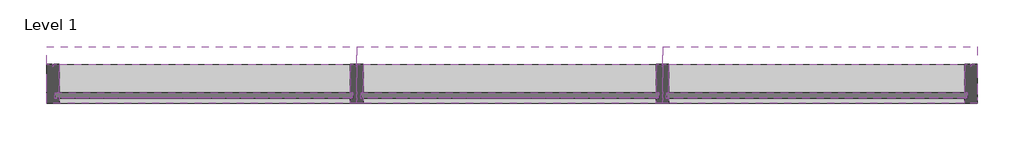
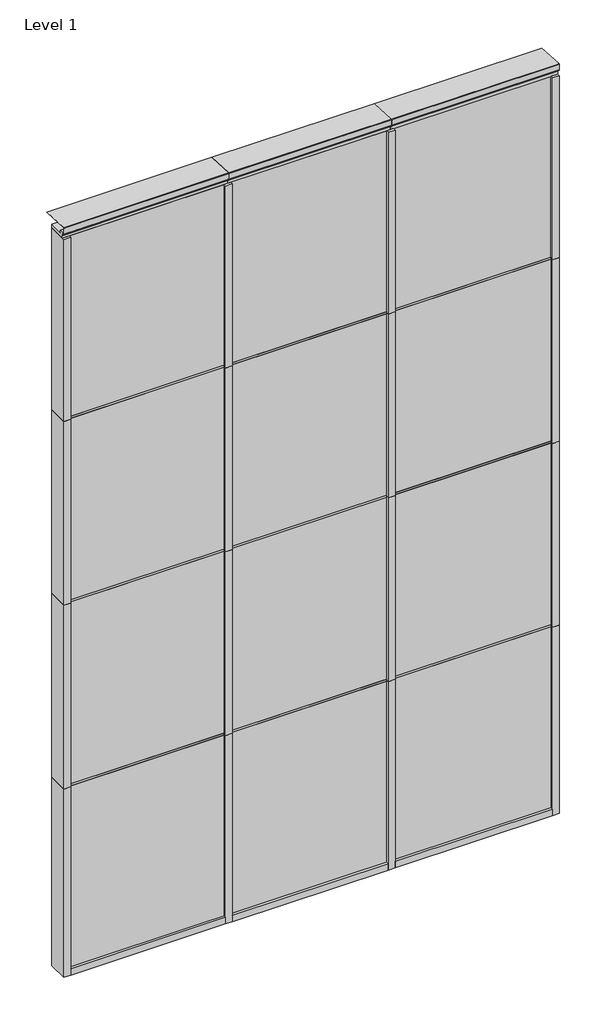
# One storey: 31 members, 12 plates.
"""IFC4 building model written with IfcOpenShell, lengths in millimetres."""

import ifcopenshell
import ifcopenshell.guid

model = None  # the IFC model being written
_history = None  # IfcOwnerHistory: only IFC2X3 demands one
_inside = {}  # id of a spatial element -> (the spatial element, [elements in it])
_under = {}  # id of a project, library or spatial element -> (it, [spatial elements below it])
_declared = {}  # id of a project -> (the project, [libraries it declares])
_typed = {}  # id of a type object -> (the type object, [elements of that type])
_made_of = {}  # id of a material, layer set ... -> (it, [elements and type objects made of it])


def new_model(schema):
    """Start an empty IFC model of exactly this schema.

    Asked for "IFC4X3", IfcOpenShell would pick the latest addendum, in which some entities
    have other attributes; the version numbers below select the first issue.
    IFC2X3 requires an IfcOwnerHistory on every rooted entity: one is made here for all.
    """
    global model, _history
    if schema == "IFC4X3":
        model = ifcopenshell.file(schema_version=(4, 3, 0, 0))
    else:
        model = ifcopenshell.file(schema=schema)
    _inside.clear()
    _under.clear()
    _declared.clear()
    _typed.clear()
    _made_of.clear()
    _history = None
    if model.schema == "IFC2X3":
        org = make("IfcOrganization", Name="unknown")
        user = make(
            "IfcPersonAndOrganization",
            ThePerson=make("IfcPerson", FamilyName="unknown"),
            TheOrganization=org,
        )
        app = make(
            "IfcApplication",
            ApplicationDeveloper=org,
            Version="unknown",
            ApplicationFullName="unknown",
            ApplicationIdentifier="unknown",
        )
        _history = make(
            "IfcOwnerHistory",
            OwningUser=user,
            OwningApplication=app,
            ChangeAction="ADDED",
            CreationDate=0,
        )
    return model


def make(cls, **values):
    """One entity of the class cls with the attributes given. An attribute that is None is left unset."""
    return model.create_entity(
        cls, **{name: value for name, value in values.items() if value is not None}
    )


def rooted(cls, **values):
    """An entity with a GlobalId (a new one), such as an element, a storey or a relation."""
    return make(cls, GlobalId=ifcopenshell.guid.new(), OwnerHistory=_history, **values)


def si_unit(unit_type, name, prefix=None):
    """IfcSIUnit, for example si_unit("LENGTHUNIT", "METRE", prefix="MILLI")."""
    return make("IfcSIUnit", UnitType=unit_type, Prefix=prefix, Name=name)


def assignment(units):
    """IfcUnitAssignment: the units of a project."""
    return None if units is None else make("IfcUnitAssignment", Units=units)


def point(xyz):
    """IfcCartesianPoint."""
    return None if xyz is None else make("IfcCartesianPoint", Coordinates=xyz)


def direction(xyz):
    """IfcDirection."""
    return None if xyz is None else make("IfcDirection", DirectionRatios=xyz)


def frame(location, z_axis=None, x_axis=None):
    """IfcAxis2Placement3D, a coordinate frame: its origin and axes. An axis left out is left unset."""
    return make(
        "IfcAxis2Placement3D",
        Location=point(location),
        Axis=direction(z_axis),
        RefDirection=direction(x_axis),
    )


def frame_2d(location, x_axis=None):
    """IfcAxis2Placement2D, a coordinate frame in the plane: its origin and x axis."""
    return make(
        "IfcAxis2Placement2D", Location=point(location), RefDirection=direction(x_axis)
    )


def origin():
    """The frame at (0, 0, 0) with its axes left unset."""
    return frame((0.0, 0.0, 0.0))


def origin_with_axes():
    """The frame at (0, 0, 0) with the z axis (0, 0, 1) and the x axis (1, 0, 0) written out."""
    return frame((0.0, 0.0, 0.0), z_axis=(0.0, 0.0, 1.0), x_axis=(1.0, 0.0, 0.0))


def place(relative_to, where):
    """IfcLocalPlacement: puts the frame where relative to a parent placement (None: the world)."""
    return make(
        "IfcLocalPlacement", PlacementRelTo=relative_to, RelativePlacement=where
    )


def context(
    kind, dimensions, precision=None, world=None, true_north=None, identifier=None
):
    """IfcGeometricRepresentationContext, for example the 3D "Model" context."""
    return make(
        "IfcGeometricRepresentationContext",
        ContextIdentifier=identifier,
        ContextType=kind,
        CoordinateSpaceDimension=dimensions,
        Precision=precision,
        WorldCoordinateSystem=world,
        TrueNorth=true_north,
    )


def project(units=None, contexts=None):
    """IfcProject with its units and contexts."""
    return rooted(
        "IfcProject",
        Name="project",
        RepresentationContexts=contexts,
        UnitsInContext=assignment(units),
    )


def spatial(cls, under=None, at=None, **own):
    """A site, building, storey or space (cls), placed at a placement, below another one or the project."""
    s = rooted(cls, ObjectPlacement=at, **own)
    if under is not None:
        _under.setdefault(under.id(), (under, []))[1].append(s)
    return s


def polyline(points):
    """IfcPolyline through the points."""
    return make("IfcPolyline", Points=[point(p) for p in points])


def circle_curve(where, radius):
    """IfcCircle in the frame where."""
    return make("IfcCircle", Position=where, Radius=radius)


def trimmed(basis, trim1, trim2, sense, master):
    """IfcTrimmedCurve: the piece of a basis curve between two trims."""
    return make(
        "IfcTrimmedCurve",
        BasisCurve=basis,
        Trim1=trim1,
        Trim2=trim2,
        SenseAgreement=sense,
        MasterRepresentation=master,
    )


def segment(curve, same_sense, transition):
    """IfcCompositeCurveSegment."""
    return make(
        "IfcCompositeCurveSegment",
        Transition=transition,
        SameSense=same_sense,
        ParentCurve=curve,
    )


def composite_curve(segments, self_intersect=None):
    """IfcCompositeCurve: segments joined end to end."""
    return make("IfcCompositeCurve", Segments=segments, SelfIntersect=self_intersect)


def outline(outer, holes=None, kind="AREA"):
    """IfcArbitraryClosedProfileDef: a profile drawn as a closed curve; with holes, ...WithVoids."""
    if holes is None:
        return make("IfcArbitraryClosedProfileDef", ProfileType=kind, OuterCurve=outer)
    return make(
        "IfcArbitraryProfileDefWithVoids",
        ProfileType=kind,
        OuterCurve=outer,
        InnerCurves=holes,
    )


def extrude(swept, where, along, depth):
    """IfcExtrudedAreaSolid: the profile swept, set in the frame where, extruded along a direction by depth."""
    return make(
        "IfcExtrudedAreaSolid",
        SweptArea=swept,
        Position=where,
        ExtrudedDirection=direction(along),
        Depth=depth,
    )


def shape(context_of_items, identifier, shape_type, items):
    """IfcShapeRepresentation: the items that make up one representation, for example the "Body"."""
    return make(
        "IfcShapeRepresentation",
        ContextOfItems=context_of_items,
        RepresentationIdentifier=identifier,
        RepresentationType=shape_type,
        Items=items,
    )


def source(mapping_origin, context_of_items, identifier, shape_type, items):
    """IfcRepresentationMap: a shape defined once, which mapped items show again and again."""
    return make(
        "IfcRepresentationMap",
        MappingOrigin=mapping_origin,
        MappedRepresentation=shape(context_of_items, identifier, shape_type, items),
    )


def transform(
    local_origin,
    x_axis=None,
    y_axis=None,
    z_axis=None,
    scale=None,
    scale2=None,
    scale3=None,
    uniform=True,
):
    """IfcCartesianTransformationOperator3D, or its non-uniform kind. x_axis, y_axis, z_axis: its Axis1, 2, 3."""
    if uniform:
        return make(
            "IfcCartesianTransformationOperator3D",
            Axis1=direction(x_axis),
            Axis2=direction(y_axis),
            LocalOrigin=point(local_origin),
            Scale=scale,
            Axis3=direction(z_axis),
        )
    return make(
        "IfcCartesianTransformationOperator3DnonUniform",
        Axis1=direction(x_axis),
        Axis2=direction(y_axis),
        LocalOrigin=point(local_origin),
        Scale=scale,
        Axis3=direction(z_axis),
        Scale2=scale2,
        Scale3=scale3,
    )


def mapped(mapping_source, mapping_target):
    """IfcMappedItem: shows the shape of a source again, moved by a transform."""
    return make(
        "IfcMappedItem", MappingSource=mapping_source, MappingTarget=mapping_target
    )


def made_of(thing, what):
    """Note that an element or type object is made of a material, layer set ...; save() writes the relation."""
    if what is not None:
        _made_of.setdefault(what.id(), (what, []))[1].append(thing)
    return thing


def element(
    cls,
    number,
    at=None,
    inside=None,
    cuts=None,
    type_object=None,
    material=None,
    context=None,
    identifier="Body",
    shape_type=None,
    held_by="IfcProductDefinitionShape",
    body=None,
    shapes=None,
    **own,
):
    """One element of the class cls, such as IfcWall. Its Tag is "e" and its number.

    at: its placement. inside: the storey or other place that contains it. cuts: it is an
    opening in that element (IfcRelVoidsElement). A single representation is given by context,
    identifier, shape_type and body (its items); several are given by shapes. held_by: the class
    of the entity that holds the representations. save() writes the other relations.
    """
    e = rooted(cls, Tag="e%d" % number, ObjectPlacement=at, **own)
    if body is not None:
        shapes = [shape(context, identifier, shape_type, body)]
    if shapes is not None:
        e.Representation = make(held_by, Representations=shapes)
    if inside is not None:
        _inside.setdefault(inside.id(), (inside, []))[1].append(e)
    if cuts is not None:
        rooted(
            "IfcRelVoidsElement", RelatingBuildingElement=cuts, RelatedOpeningElement=e
        )
    if type_object is not None:
        _typed.setdefault(type_object.id(), (type_object, []))[1].append(e)
    return made_of(e, material)


def aggregate(whole, parts):
    """IfcRelAggregates: a whole, such as a stair, and the parts it consists of."""
    return rooted("IfcRelAggregates", RelatingObject=whole, RelatedObjects=parts)


def save(model, path):
    """Write the relations noted so far, then the file.

    IfcRelAggregates (storeys below a building ...), IfcRelContainedInSpatialStructure (elements
    in a storey), IfcRelDefinesByType, IfcRelAssociatesMaterial and IfcRelDeclares: one each for
    every whole, place, type object, material and project.
    """
    for whole, parts in _under.values():
        aggregate(whole, parts)
    for where, things in _inside.values():
        rooted(
            "IfcRelContainedInSpatialStructure",
            RelatedElements=things,
            RelatingStructure=where,
        )
    for kind, things in _typed.values():
        rooted("IfcRelDefinesByType", RelatedObjects=things, RelatingType=kind)
    for what, things in _made_of.values():
        rooted("IfcRelAssociatesMaterial", RelatedObjects=things, RelatingMaterial=what)
    for by, libraries in _declared.values():
        rooted("IfcRelDeclares", RelatingContext=by, RelatedDefinitions=libraries)
    model.write(path)


def rectangular_mullion_kawneer_2500_pg_horizontal_ssg_mullion_443c98aa(model_context):
    return source(origin(), model_context, "Body", "SweptSolid", [
        extrude(outline(composite_curve([segment(polyline([(-80.9625, 95.25), (-80.9625, -38.8620344), (-60.3250001, -38.8620344), (-60.3250001, -92.0750171), (-3.175, -92.0750171), (-17.5525632, 182.2652306), (-14.373206, 182.2652306), (-0.0043512, -91.9088505)]), True, "CONTINUOUS"), segment(trimmed(circle_curve(frame_2d((-3.175, -92.0750171)), 3.175), [point((-0.0043512, -91.9088505))], [point((-3.175, -95.2500171))], False, "CARTESIAN"), True, "CONTINUOUS"), segment(polyline([(-3.175, -95.2500171), (-60.3250001, -95.2500171)]), True, "CONTINUOUS"), segment(trimmed(circle_curve(frame_2d((-60.3250001, -92.0750171)), 3.175), [point((-60.3250001, -95.2500171))], [point((-63.5000001, -92.0750171))], False, "CARTESIAN"), True, "CONTINUOUS"), segment(polyline([(-63.5000001, -92.0750171), (-63.5000001, -68.5064162)]), True, "CONTINUOUS"), segment(trimmed(circle_curve(frame_2d((-70.7092948, -88.9585063)), 21.6855233), [point((-63.5000001, -68.5064162))], [point((-80.9624832, -69.8500252))], True, "CARTESIAN"), True, "CONTINUOUS"), segment(trimmed(circle_curve(frame_2d((-85.725, -79.7243466)), 10.9628366), [point((-80.9624832, -69.8500252))], [point((-90.4875, -69.8500171))], True, "CARTESIAN"), True, "CONTINUOUS"), segment(polyline([(-90.4875, -69.8500171), (-115.9625, -69.8500171), (-115.9625, 95.25), (-80.9625, 95.25)]), True, "CONTINUOUS")], self_intersect=False)), frame((0.0, 0.0, -1522.9398248), z_axis=(0.0, 0.0, 1.0), x_axis=(1.0, 0.0, 0.0)), (0.0, 0.0, 1.0), 1522.9398248),
    ])


def rectangular_mullion_kawneer_2500_pg_horizontal_ssg_mullion_76cb95bd(model_context):
    return source(origin(), model_context, "Body", "SweptSolid", [
        extrude(outline(composite_curve([segment(polyline([(-80.9625, 95.25), (-80.9625, -38.8620344), (-60.3250001, -38.8620344), (-60.3250001, -92.0750171), (-3.175, -92.0750171), (-17.5525632, 182.2652306), (-14.373206, 182.2652306), (-0.0043512, -91.9088505)]), True, "CONTINUOUS"), segment(trimmed(circle_curve(frame_2d((-3.175, -92.0750171)), 3.175), [point((-0.0043512, -91.9088505))], [point((-3.175, -95.2500171))], False, "CARTESIAN"), True, "CONTINUOUS"), segment(polyline([(-3.175, -95.2500171), (-60.3250001, -95.2500171)]), True, "CONTINUOUS"), segment(trimmed(circle_curve(frame_2d((-60.3250001, -92.0750171)), 3.175), [point((-60.3250001, -95.2500171))], [point((-63.5000001, -92.0750171))], False, "CARTESIAN"), True, "CONTINUOUS"), segment(polyline([(-63.5000001, -92.0750171), (-63.5000001, -68.5064162)]), True, "CONTINUOUS"), segment(trimmed(circle_curve(frame_2d((-70.7092948, -88.9585063)), 21.6855233), [point((-63.5000001, -68.5064162))], [point((-80.9624832, -69.8500252))], True, "CARTESIAN"), True, "CONTINUOUS"), segment(trimmed(circle_curve(frame_2d((-85.725, -79.7243466)), 10.9628366), [point((-80.9624832, -69.8500252))], [point((-90.4875, -69.8500171))], True, "CARTESIAN"), True, "CONTINUOUS"), segment(polyline([(-90.4875, -69.8500171), (-115.9625, -69.8500171), (-115.9625, 95.25), (-80.9625, 95.25)]), True, "CONTINUOUS")], self_intersect=False)), frame((0.0, 0.0, -1502.3050876), z_axis=(0.0, 0.0, 1.0), x_axis=(1.0, 0.0, 0.0)), (0.0, 0.0, 1.0), 1502.3050876),
    ])


def rectangular_mullion_kawneer_2500_pg_horizontal_ssg_mullion_5e039348(model_context):
    return source(origin(), model_context, "Body", "SweptSolid", [
        extrude(outline(composite_curve([segment(polyline([(-80.9625, 95.25), (-80.9625, -38.8620344), (-60.3250001, -38.8620344), (-60.3250001, -92.0750171), (-3.175, -92.0750171), (-17.5525632, 182.2652306), (-14.373206, 182.2652306), (-0.0043512, -91.9088505)]), True, "CONTINUOUS"), segment(trimmed(circle_curve(frame_2d((-3.175, -92.0750171)), 3.175), [point((-0.0043512, -91.9088505))], [point((-3.175, -95.2500171))], False, "CARTESIAN"), True, "CONTINUOUS"), segment(polyline([(-3.175, -95.2500171), (-60.3250001, -95.2500171)]), True, "CONTINUOUS"), segment(trimmed(circle_curve(frame_2d((-60.3250001, -92.0750171)), 3.175), [point((-60.3250001, -95.2500171))], [point((-63.5000001, -92.0750171))], False, "CARTESIAN"), True, "CONTINUOUS"), segment(polyline([(-63.5000001, -92.0750171), (-63.5000001, -68.5064162)]), True, "CONTINUOUS"), segment(trimmed(circle_curve(frame_2d((-70.7092948, -88.9585063)), 21.6855233), [point((-63.5000001, -68.5064162))], [point((-80.9624832, -69.8500252))], True, "CARTESIAN"), True, "CONTINUOUS"), segment(trimmed(circle_curve(frame_2d((-85.725, -79.7243466)), 10.9628366), [point((-80.9624832, -69.8500252))], [point((-90.4875, -69.8500171))], True, "CARTESIAN"), True, "CONTINUOUS"), segment(polyline([(-90.4875, -69.8500171), (-115.9625, -69.8500171), (-115.9625, 95.25), (-80.9625, 95.25)]), True, "CONTINUOUS")], self_intersect=False)), frame((0.0, 0.0, -1546.7550876), z_axis=(0.0, 0.0, 1.0), x_axis=(1.0, 0.0, 0.0)), (0.0, 0.0, 1.0), 1546.7550876),
    ])


def rectangular_mullion_kawneer_2500_pg_horizontal_ssg_mullion_bfa5a728(model_context):
    return source(origin(), model_context, "Body", "SweptSolid", [
        extrude(outline(polyline([(-9.525, -69.85), (-9.525, -44.45), (-31.75, -44.45), (-31.75, 95.25), (31.75, 95.25), (31.75, -44.45), (9.525, -44.45), (9.525, -69.85), (-9.525, -69.85)])), frame((0.0, 0.0, -1438.8050876), z_axis=(0.0, 0.0, 1.0), x_axis=(1.0, 0.0, 0.0)), (0.0, 0.0, 1.0), 1438.8050876),
    ])


def rectangular_mullion_kawneer_2500_pg_horizontal_ssg_mullion_2232923a(model_context):
    return source(origin(), model_context, "Body", "SweptSolid", [
        extrude(outline(polyline([(-9.525, -69.85), (-9.525, -44.45), (-31.75, -44.45), (-31.75, 95.25), (31.75, 95.25), (31.75, -44.45), (9.525, -44.45), (9.525, -69.85), (-9.525, -69.85)])), frame((0.0, 0.0, -1427.6898248), z_axis=(0.0, 0.0, 1.0), x_axis=(1.0, 0.0, 0.0)), (0.0, 0.0, 1.0), 1427.6898248),
    ])


def rectangular_mullion_kawneer_2500_pg_horizontal_ssg_mullion_8c0354d1(model_context):
    return source(origin(), model_context, "Body", "SweptSolid", [
        extrude(outline(polyline([(-9.525, -69.85), (-9.525, -44.45), (-31.75, -44.45), (-31.75, 95.25), (31.75, 95.25), (31.75, -44.45), (9.525, -44.45), (9.525, -69.85), (-9.525, -69.85)])), frame((0.0, 0.0, -1451.5050876), z_axis=(0.0, 0.0, 1.0), x_axis=(1.0, 0.0, 0.0)), (0.0, 0.0, 1.0), 1451.5050876),
    ])


def rectangular_mullion_kawneer_2500_pg_horizontal_ssg_mullion_c4213d3a(model_context):
    return source(origin(), model_context, "Body", "SweptSolid", [
        extrude(outline(polyline([(-63.5, -95.25), (-63.5, -69.85), (-39.6875, -69.85), (-39.6875, -44.45), (-63.5, -44.45), (-63.5, 95.25), (-34.925, 95.25), (-34.925, 86.9442), (-28.575, 86.9442), (-28.575, 95.25), (0.0, 95.25), (0.0, -95.25), (-63.5, -95.25)])), frame((0.0, 0.0, -1793.4600657), z_axis=(0.0, 0.0, 1.0), x_axis=(1.0, 0.0, 0.0)), (0.0, 0.0, 1.0), 1793.4600657),
    ])


def rectangular_mullion_kawneer_2500_pg_horizontal_ssg_mullion_a1de6920(model_context):
    return source(origin(), model_context, "Body", "SweptSolid", [
        extrude(outline(polyline([(-63.5, -95.25), (-63.5, -69.85), (-39.6875, -69.85), (-39.6875, -44.45), (-63.5, -44.45), (-63.5, 95.25), (-34.925, 95.25), (-34.925, 86.9442), (-28.575, 86.9442), (-28.575, 95.25), (0.0, 95.25), (0.0, -95.25), (-63.5, -95.25)])), frame((0.0, 0.0, -1837.9100657), z_axis=(0.0, 0.0, 1.0), x_axis=(1.0, 0.0, 0.0)), (0.0, 0.0, 1.0), 1837.9100657),
    ])


def rectangular_mullion_kawneer_2500_pg_horizontal_ssg_mullion_b09125f9(model_context):
    return source(origin(), model_context, "Body", "SweptSolid", [
        extrude(outline(polyline([(-63.5, -95.25), (-63.5, -69.85), (-39.6875, -69.85), (-39.6875, -44.45), (-63.5, -44.45), (-63.5, 95.25), (-34.925, 95.25), (-34.925, 86.9442), (-28.575, 86.9442), (-28.575, 95.25), (0.0, 95.25), (0.0, -95.25), (-63.5, -95.25)])), frame((0.0, 0.0, -1774.4073029), z_axis=(0.0, 0.0, 1.0), x_axis=(1.0, 0.0, 0.0)), (0.0, 0.0, 1.0), 1774.4073029),
    ])


def rectangular_mullion_kawneer_2500_pg_horizontal_ssg_mullion_f666aeef(model_context):
    return source(origin(), model_context, "Body", "SweptSolid", [
        extrude(outline(polyline([(0.0, -95.25), (-63.5, -95.25), (-63.5, -69.85), (-50.8, -69.85), (-50.8, -44.45), (-63.5, -44.45), (-63.5, 95.25), (-34.925, 95.25), (-34.925, 86.9442), (-28.575, 86.9442), (-28.575, 95.25), (0.0, 95.25), (0.0, -95.25)])), frame((0.0, 0.0, -1793.4600657), z_axis=(0.0, 0.0, 1.0), x_axis=(1.0, 0.0, 0.0)), (0.0, 0.0, 1.0), 1793.4600657),
    ])


def rectangular_mullion_kawneer_2500_pg_horizontal_ssg_mullion_d2efcb3f(model_context):
    return source(origin(), model_context, "Body", "SweptSolid", [
        extrude(outline(polyline([(0.0, -95.25), (-63.5, -95.25), (-63.5, -69.85), (-50.8, -69.85), (-50.8, -44.45), (-63.5, -44.45), (-63.5, 95.25), (-34.925, 95.25), (-34.925, 86.9442), (-28.575, 86.9442), (-28.575, 95.25), (0.0, 95.25), (0.0, -95.25)])), frame((0.0, 0.0, -1837.9100657), z_axis=(0.0, 0.0, 1.0), x_axis=(1.0, 0.0, 0.0)), (0.0, 0.0, 1.0), 1837.9100657),
    ])


def rectangular_mullion_kawneer_2500_pg_horizontal_ssg_mullion_9c501958(model_context):
    return source(origin(), model_context, "Body", "SweptSolid", [
        extrude(outline(polyline([(0.0, -95.25), (-63.5, -95.25), (-63.5, -69.85), (-50.8, -69.85), (-50.8, -44.45), (-63.5, -44.45), (-63.5, 95.25), (-34.925, 95.25), (-34.925, 86.9442), (-28.575, 86.9442), (-28.575, 95.25), (0.0, 95.25), (0.0, -95.25)])), frame((0.0, 0.0, -1774.4073029), z_axis=(0.0, 0.0, 1.0), x_axis=(1.0, 0.0, 0.0)), (0.0, 0.0, 1.0), 1774.4073029),
    ])


def rectangular_mullion_kawneer_2500_pg_horizontal_ssg_mullion_35ca88fe(model_context):
    return source(origin(), model_context, "Body", "SweptSolid", [
        extrude(outline(polyline([(0.0, -95.25), (-63.5, -95.25), (-63.5, -69.8500171), (-50.8, -69.8500171), (-50.8, -44.4499829), (-63.5, -44.4499829), (-63.5, 95.25), (0.0, 95.25), (0.0, -95.25)])), frame((0.0, 0.0, -1451.5050876), z_axis=(0.0, 0.0, 1.0), x_axis=(1.0, 0.0, 0.0)), (0.0, 0.0, 1.0), 1451.5050876),
    ])


def rectangular_mullion_kawneer_2500_pg_horizontal_ssg_mullion_7bcb7465(model_context):
    return source(origin(), model_context, "Body", "SweptSolid", [
        extrude(outline(polyline([(0.0, -95.25), (-63.5, -95.25), (-63.5, -69.8500171), (-50.8, -69.8500171), (-50.8, -44.4499829), (-63.5, -44.4499829), (-63.5, 95.25), (0.0, 95.25), (0.0, -95.25)])), frame((0.0, 0.0, -1438.8050876), z_axis=(0.0, 0.0, 1.0), x_axis=(1.0, 0.0, 0.0)), (0.0, 0.0, 1.0), 1438.8050876),
    ])


def rectangular_mullion_kawneer_2500_pg_horizontal_ssg_mullion_c0058d11(model_context):
    return source(origin(), model_context, "Body", "SweptSolid", [
        extrude(outline(polyline([(0.0, -95.25), (-63.5, -95.25), (-63.5, -69.8500171), (-50.8, -69.8500171), (-50.8, -44.4499829), (-63.5, -44.4499829), (-63.5, 95.25), (0.0, 95.25), (0.0, -95.25)])), frame((0.0, 0.0, -1427.6898248), z_axis=(0.0, 0.0, 1.0), x_axis=(1.0, 0.0, 0.0)), (0.0, 0.0, 1.0), 1427.6898248),
    ])


def rectangular_mullion_kawneer_2500_pg_horizontal_ssg_mullion_e77a4fe3(model_context):
    return source(origin(), model_context, "Body", "SweptSolid", [
        extrude(outline(polyline([(-31.75, -95.25), (-31.75, -69.85), (-19.0527628, -69.85), (-19.0527628, -44.45), (-31.75, -44.45), (-31.75, 95.25), (-3.175, 95.25), (-3.175, 86.9442), (3.175, 86.9442), (3.175, 95.25), (31.75, 95.25), (31.75, -44.45), (19.05, -44.45), (19.05, -69.85), (31.75, -69.85), (31.75, -95.25), (-31.75, -95.25)])), frame((0.0, 0.0, -1837.9100657), z_axis=(0.0, 0.0, 1.0), x_axis=(1.0, 0.0, 0.0)), (0.0, 0.0, 1.0), 1837.9100657),
    ])


def rectangular_mullion_kawneer_2500_pg_horizontal_ssg_mullion_6ce1fadf(model_context):
    return source(origin(), model_context, "Body", "SweptSolid", [
        extrude(outline(polyline([(-31.75, -95.25), (-31.75, -69.85), (-19.0527628, -69.85), (-19.0527628, -44.45), (-31.75, -44.45), (-31.75, 95.25), (-3.175, 95.25), (-3.175, 86.9442), (3.175, 86.9442), (3.175, 95.25), (31.75, 95.25), (31.75, -44.45), (19.05, -44.45), (19.05, -69.85), (31.75, -69.85), (31.75, -95.25), (-31.75, -95.25)])), frame((0.0, 0.0, -1793.4600657), z_axis=(0.0, 0.0, 1.0), x_axis=(1.0, 0.0, 0.0)), (0.0, 0.0, 1.0), 1793.4600657),
    ])


def rectangular_mullion_kawneer_2500_pg_horizontal_ssg_mullion_de348e74(model_context):
    return source(origin(), model_context, "Body", "SweptSolid", [
        extrude(outline(polyline([(-31.75, -95.25), (-31.75, -69.85), (-19.0527628, -69.85), (-19.0527628, -44.45), (-31.75, -44.45), (-31.75, 95.25), (-3.175, 95.25), (-3.175, 86.9442), (3.175, 86.9442), (3.175, 95.25), (31.75, 95.25), (31.75, -44.45), (19.05, -44.45), (19.05, -69.85), (31.75, -69.85), (31.75, -95.25), (-31.75, -95.25)])), frame((0.0, 0.0, -1774.4073029), z_axis=(0.0, 0.0, 1.0), x_axis=(1.0, 0.0, 0.0)), (0.0, 0.0, 1.0), 1774.4073029),
    ])


def system_panel_df5ae58f(model_context):
    return source(origin(), model_context, "Body", "SweptSolid", [
        extrude(outline(polyline([(738.4511624, 44.45), (-738.4511624, 44.45), (-738.4511624, 69.85), (738.4511624, 69.85), (738.4511624, 44.45)])), origin_with_axes(), (0.0, 0.0, 1.0), 1777.5850657),
    ])


def system_panel_bcfc0aca(model_context):
    return source(origin(), model_context, "Body", "SweptSolid", [
        extrude(outline(polyline([(732.1011624, 44.45), (-732.1011624, 44.45), (-732.1011624, 69.85), (732.1011624, 69.85), (732.1011624, 44.45)])), origin_with_axes(), (0.0, 0.0, 1.0), 1777.5850657),
    ])


def system_panel_56705651(model_context):
    return source(origin(), model_context, "Body", "SweptSolid", [
        extrude(outline(polyline([(738.4511624, 44.45), (-738.4511624, 44.45), (-738.4511624, 69.85), (738.4511624, 69.85), (738.4511624, 44.45)])), origin_with_axes(), (0.0, 0.0, 1.0), 1774.4100657),
    ])


def system_panel_8d2abb0f(model_context):
    return source(origin(), model_context, "Body", "SweptSolid", [
        extrude(outline(polyline([(732.1011624, 44.45), (-732.1011624, 44.45), (-732.1011624, 69.85), (732.1011624, 69.85), (732.1011624, 44.45)])), origin_with_axes(), (0.0, 0.0, 1.0), 1774.4100657),
    ])


def system_panel_b434d78e(model_context):
    return source(origin(), model_context, "Body", "SweptSolid", [
        extrude(outline(polyline([(738.4511624, 44.45), (-738.4511624, 44.45), (-738.4511624, 69.85), (738.4511624, 69.85), (738.4511624, 44.45)])), origin_with_axes(), (0.0, 0.0, 1.0), 1764.8823029),
    ])


def system_panel_509ba239(model_context):
    return source(origin(), model_context, "Body", "SweptSolid", [
        extrude(outline(polyline([(732.1011624, 44.45), (-732.1011624, 44.45), (-732.1011624, 69.85), (732.1011624, 69.85), (732.1011624, 44.45)])), origin_with_axes(), (0.0, 0.0, 1.0), 1764.8823029),
    ])


model = new_model("IFC4")

# Units and contexts
model_context = context("Model", 3, world=origin())
ifc_project = project(units=[si_unit("LENGTHUNIT", "METRE", prefix="MILLI")], contexts=[model_context])

# Site, building, storey
site = spatial("IfcSite", under=ifc_project)
building = spatial("IfcBuilding", under=site)
storey = spatial("IfcBuildingStorey", under=building, Name="Level 1", Elevation=0.0)

# Members
placement = place(None, origin())
rectangular_mullion_kawneer_2500_pg_horizontal_ssg_mullion_shape = rectangular_mullion_kawneer_2500_pg_horizontal_ssg_mullion_443c98aa(model_context)
element("IfcMember", 1, ObjectType="Rectangular Mullion : Kawneer - 2500 PG Horizontal SSG - Mullion_Head", at=placement, inside=storey, context=model_context, shape_type="MappedRepresentation", body=[
    mapped(rectangular_mullion_kawneer_2500_pg_horizontal_ssg_mullion_shape, transform((-5738.380874, 1816.3571193, 7315.2), x_axis=(0.0, 0.0, 1.0), y_axis=(0.0, 1.0, 0.0), z_axis=(-1.0, 0.0, 0.0))),
])
rectangular_mullion_kawneer_2500_pg_horizontal_ssg_mullion_2_shape = rectangular_mullion_kawneer_2500_pg_horizontal_ssg_mullion_76cb95bd(model_context)
element("IfcMember", 2, ObjectType="Rectangular Mullion : Kawneer - 2500 PG Horizontal SSG - Mullion_Head", at=placement, inside=storey, context=model_context, shape_type="MappedRepresentation", body=[
    mapped(rectangular_mullion_kawneer_2500_pg_horizontal_ssg_mullion_2_shape, transform((-4215.4410492, 1816.3571193, 7315.2), x_axis=(0.0, 0.0, 1.0), y_axis=(0.0, 1.0, 0.0), z_axis=(-1.0, 0.0, 0.0))),
])
rectangular_mullion_kawneer_2500_pg_horizontal_ssg_mullion_3_shape = rectangular_mullion_kawneer_2500_pg_horizontal_ssg_mullion_5e039348(model_context)
element("IfcMember", 3, ObjectType="Rectangular Mullion : Kawneer - 2500 PG Horizontal SSG - Mullion_Head", at=placement, inside=storey, context=model_context, shape_type="MappedRepresentation", body=[
    mapped(rectangular_mullion_kawneer_2500_pg_horizontal_ssg_mullion_3_shape, transform((-2713.1359616, 1816.3571193, 7315.2), x_axis=(0.0, 0.0, 1.0), y_axis=(0.0, 1.0, 0.0), z_axis=(-1.0, 0.0, 0.0))),
])
rectangular_mullion_kawneer_2500_pg_horizontal_ssg_mullion_4_shape = rectangular_mullion_kawneer_2500_pg_horizontal_ssg_mullion_bfa5a728(model_context)
element("IfcMember", 4, ObjectType="Rectangular Mullion : Kawneer - 2500 PG Horizontal SSG - Mullion_Horizontal", at=placement, inside=storey, context=model_context, shape_type="MappedRepresentation", body=[
    mapped(rectangular_mullion_kawneer_2500_pg_horizontal_ssg_mullion_4_shape, transform((-4183.6910492, 1816.3571193, 1837.9100657), x_axis=(0.0, 0.0, 1.0), y_axis=(0.0, 1.0, 0.0), z_axis=(-1.0, 0.0, 0.0))),
])
element("IfcMember", 5, ObjectType="Rectangular Mullion : Kawneer - 2500 PG Horizontal SSG - Mullion_Horizontal", at=placement, inside=storey, context=model_context, shape_type="MappedRepresentation", body=[
    mapped(rectangular_mullion_kawneer_2500_pg_horizontal_ssg_mullion_4_shape, transform((-4183.6910492, 1816.3571193, 3631.3701314), x_axis=(0.0, 0.0, 1.0), y_axis=(0.0, 1.0, 0.0), z_axis=(-1.0, 0.0, 0.0))),
])
element("IfcMember", 6, ObjectType="Rectangular Mullion : Kawneer - 2500 PG Horizontal SSG - Mullion_Horizontal", at=placement, inside=storey, context=model_context, shape_type="MappedRepresentation", body=[
    mapped(rectangular_mullion_kawneer_2500_pg_horizontal_ssg_mullion_4_shape, transform((-4183.6910492, 1816.3571193, 5424.8301972), x_axis=(0.0, 0.0, 1.0), y_axis=(0.0, 1.0, 0.0), z_axis=(-1.0, 0.0, 0.0))),
])
rectangular_mullion_kawneer_2500_pg_horizontal_ssg_mullion_5_shape = rectangular_mullion_kawneer_2500_pg_horizontal_ssg_mullion_2232923a(model_context)
element("IfcMember", 7, ObjectType="Rectangular Mullion : Kawneer - 2500 PG Horizontal SSG - Mullion_Horizontal", at=placement, inside=storey, context=model_context, shape_type="MappedRepresentation", body=[
    mapped(rectangular_mullion_kawneer_2500_pg_horizontal_ssg_mullion_5_shape, transform((-5674.880874, 1816.3571193, 1837.9100657), x_axis=(0.0, 0.0, 1.0), y_axis=(0.0, 1.0, 0.0), z_axis=(-1.0, 0.0, 0.0))),
])
element("IfcMember", 8, ObjectType="Rectangular Mullion : Kawneer - 2500 PG Horizontal SSG - Mullion_Horizontal", at=placement, inside=storey, context=model_context, shape_type="MappedRepresentation", body=[
    mapped(rectangular_mullion_kawneer_2500_pg_horizontal_ssg_mullion_5_shape, transform((-5674.880874, 1816.3571193, 3631.3701314), x_axis=(0.0, 0.0, 1.0), y_axis=(0.0, 1.0, 0.0), z_axis=(-1.0, 0.0, 0.0))),
])
element("IfcMember", 9, ObjectType="Rectangular Mullion : Kawneer - 2500 PG Horizontal SSG - Mullion_Horizontal", at=placement, inside=storey, context=model_context, shape_type="MappedRepresentation", body=[
    mapped(rectangular_mullion_kawneer_2500_pg_horizontal_ssg_mullion_5_shape, transform((-5674.880874, 1816.3571193, 5424.8301972), x_axis=(0.0, 0.0, 1.0), y_axis=(0.0, 1.0, 0.0), z_axis=(-1.0, 0.0, 0.0))),
])
rectangular_mullion_kawneer_2500_pg_horizontal_ssg_mullion_6_shape = rectangular_mullion_kawneer_2500_pg_horizontal_ssg_mullion_8c0354d1(model_context)
element("IfcMember", 10, ObjectType="Rectangular Mullion : Kawneer - 2500 PG Horizontal SSG - Mullion_Horizontal", at=placement, inside=storey, context=model_context, shape_type="MappedRepresentation", body=[
    mapped(rectangular_mullion_kawneer_2500_pg_horizontal_ssg_mullion_6_shape, transform((-2681.3859616, 1816.3571193, 1837.9100657), x_axis=(0.0, 0.0, 1.0), y_axis=(0.0, 1.0, 0.0), z_axis=(-1.0, 0.0, 0.0))),
])
element("IfcMember", 11, ObjectType="Rectangular Mullion : Kawneer - 2500 PG Horizontal SSG - Mullion_Horizontal", at=placement, inside=storey, context=model_context, shape_type="MappedRepresentation", body=[
    mapped(rectangular_mullion_kawneer_2500_pg_horizontal_ssg_mullion_6_shape, transform((-2681.3859616, 1816.3571193, 3631.3701314), x_axis=(0.0, 0.0, 1.0), y_axis=(0.0, 1.0, 0.0), z_axis=(-1.0, 0.0, 0.0))),
])
element("IfcMember", 12, ObjectType="Rectangular Mullion : Kawneer - 2500 PG Horizontal SSG - Mullion_Horizontal", at=placement, inside=storey, context=model_context, shape_type="MappedRepresentation", body=[
    mapped(rectangular_mullion_kawneer_2500_pg_horizontal_ssg_mullion_6_shape, transform((-2681.3859616, 1816.3571193, 5424.8301972), x_axis=(0.0, 0.0, 1.0), y_axis=(0.0, 1.0, 0.0), z_axis=(-1.0, 0.0, 0.0))),
])
rectangular_mullion_kawneer_2500_pg_horizontal_ssg_mullion_7_shape = rectangular_mullion_kawneer_2500_pg_horizontal_ssg_mullion_c4213d3a(model_context)
element("IfcMember", 13, ObjectType="Rectangular Mullion : Kawneer - 2500 PG Horizontal SSG - Mullion_Jamb L", at=placement, inside=storey, context=model_context, shape_type="MappedRepresentation", body=[
    mapped(rectangular_mullion_kawneer_2500_pg_horizontal_ssg_mullion_7_shape, transform((-5738.380874, 1816.3571193, 1837.9100657), x_axis=(-1.0, 0.0, 0.0), y_axis=(0.0, 1.0, 0.0), z_axis=(0.0, 0.0, -1.0))),
])
element("IfcMember", 14, ObjectType="Rectangular Mullion : Kawneer - 2500 PG Horizontal SSG - Mullion_Jamb L", at=placement, inside=storey, context=model_context, shape_type="MappedRepresentation", body=[
    mapped(rectangular_mullion_kawneer_2500_pg_horizontal_ssg_mullion_7_shape, transform((-5738.380874, 1816.3571193, 3631.3701314), x_axis=(-1.0, 0.0, 0.0), y_axis=(0.0, 1.0, 0.0), z_axis=(0.0, 0.0, -1.0))),
])
rectangular_mullion_kawneer_2500_pg_horizontal_ssg_mullion_8_shape = rectangular_mullion_kawneer_2500_pg_horizontal_ssg_mullion_a1de6920(model_context)
element("IfcMember", 15, ObjectType="Rectangular Mullion : Kawneer - 2500 PG Horizontal SSG - Mullion_Jamb L", at=placement, inside=storey, context=model_context, shape_type="MappedRepresentation", body=[
    mapped(rectangular_mullion_kawneer_2500_pg_horizontal_ssg_mullion_8_shape, transform((-5738.380874, 1816.3571193, 0.0), x_axis=(-1.0, 0.0, 0.0), y_axis=(0.0, 1.0, 0.0), z_axis=(0.0, 0.0, -1.0))),
])
rectangular_mullion_kawneer_2500_pg_horizontal_ssg_mullion_9_shape = rectangular_mullion_kawneer_2500_pg_horizontal_ssg_mullion_b09125f9(model_context)
element("IfcMember", 16, ObjectType="Rectangular Mullion : Kawneer - 2500 PG Horizontal SSG - Mullion_Jamb L", at=placement, inside=storey, context=model_context, shape_type="MappedRepresentation", body=[
    mapped(rectangular_mullion_kawneer_2500_pg_horizontal_ssg_mullion_9_shape, transform((-5738.380874, 1816.3571193, 5424.8301972), x_axis=(-1.0, 0.0, 0.0), y_axis=(0.0, 1.0, 0.0), z_axis=(0.0, 0.0, -1.0))),
])
rectangular_mullion_kawneer_2500_pg_horizontal_ssg_mullion_10_shape = rectangular_mullion_kawneer_2500_pg_horizontal_ssg_mullion_f666aeef(model_context)
element("IfcMember", 17, ObjectType="Rectangular Mullion : Kawneer - 2500 PG Horizontal SSG - Mullion_Jamb R", at=placement, inside=storey, context=model_context, shape_type="MappedRepresentation", body=[
    mapped(rectangular_mullion_kawneer_2500_pg_horizontal_ssg_mullion_10_shape, transform((-1166.380874, 1816.3571193, 3631.3701314), x_axis=(1.0, 0.0, 0.0), y_axis=(0.0, 1.0, 0.0), z_axis=(0.0, 0.0, 1.0))),
])
element("IfcMember", 18, ObjectType="Rectangular Mullion : Kawneer - 2500 PG Horizontal SSG - Mullion_Jamb R", at=placement, inside=storey, context=model_context, shape_type="MappedRepresentation", body=[
    mapped(rectangular_mullion_kawneer_2500_pg_horizontal_ssg_mullion_10_shape, transform((-1166.380874, 1816.3571193, 5424.8301972), x_axis=(1.0, 0.0, 0.0), y_axis=(0.0, 1.0, 0.0), z_axis=(0.0, 0.0, 1.0))),
])
rectangular_mullion_kawneer_2500_pg_horizontal_ssg_mullion_11_shape = rectangular_mullion_kawneer_2500_pg_horizontal_ssg_mullion_d2efcb3f(model_context)
element("IfcMember", 19, ObjectType="Rectangular Mullion : Kawneer - 2500 PG Horizontal SSG - Mullion_Jamb R", at=placement, inside=storey, context=model_context, shape_type="MappedRepresentation", body=[
    mapped(rectangular_mullion_kawneer_2500_pg_horizontal_ssg_mullion_11_shape, transform((-1166.380874, 1816.3571193, 1837.9100657), x_axis=(1.0, 0.0, 0.0), y_axis=(0.0, 1.0, 0.0), z_axis=(0.0, 0.0, 1.0))),
])
rectangular_mullion_kawneer_2500_pg_horizontal_ssg_mullion_12_shape = rectangular_mullion_kawneer_2500_pg_horizontal_ssg_mullion_9c501958(model_context)
element("IfcMember", 20, ObjectType="Rectangular Mullion : Kawneer - 2500 PG Horizontal SSG - Mullion_Jamb R", at=placement, inside=storey, context=model_context, shape_type="MappedRepresentation", body=[
    mapped(rectangular_mullion_kawneer_2500_pg_horizontal_ssg_mullion_12_shape, transform((-1166.380874, 1816.3571193, 7199.2375), x_axis=(1.0, 0.0, 0.0), y_axis=(0.0, 1.0, 0.0), z_axis=(0.0, 0.0, 1.0))),
])
rectangular_mullion_kawneer_2500_pg_horizontal_ssg_mullion_13_shape = rectangular_mullion_kawneer_2500_pg_horizontal_ssg_mullion_35ca88fe(model_context)
element("IfcMember", 21, ObjectType="Rectangular Mullion : Kawneer - 2500 PG Horizontal SSG - Mullion_Sill", at=placement, inside=storey, context=model_context, shape_type="MappedRepresentation", body=[
    mapped(rectangular_mullion_kawneer_2500_pg_horizontal_ssg_mullion_13_shape, transform((-1229.880874, 1816.3571193, 0.0), x_axis=(0.0, 0.0, -1.0), y_axis=(0.0, 1.0, 0.0), z_axis=(1.0, 0.0, 0.0))),
])
rectangular_mullion_kawneer_2500_pg_horizontal_ssg_mullion_14_shape = rectangular_mullion_kawneer_2500_pg_horizontal_ssg_mullion_7bcb7465(model_context)
element("IfcMember", 22, ObjectType="Rectangular Mullion : Kawneer - 2500 PG Horizontal SSG - Mullion_Sill", at=placement, inside=storey, context=model_context, shape_type="MappedRepresentation", body=[
    mapped(rectangular_mullion_kawneer_2500_pg_horizontal_ssg_mullion_14_shape, transform((-2744.8859616, 1816.3571193, 0.0), x_axis=(0.0, 0.0, -1.0), y_axis=(0.0, 1.0, 0.0), z_axis=(1.0, 0.0, 0.0))),
])
rectangular_mullion_kawneer_2500_pg_horizontal_ssg_mullion_15_shape = rectangular_mullion_kawneer_2500_pg_horizontal_ssg_mullion_c0058d11(model_context)
element("IfcMember", 23, ObjectType="Rectangular Mullion : Kawneer - 2500 PG Horizontal SSG - Mullion_Sill", at=placement, inside=storey, context=model_context, shape_type="MappedRepresentation", body=[
    mapped(rectangular_mullion_kawneer_2500_pg_horizontal_ssg_mullion_15_shape, transform((-4247.1910492, 1816.3571193, 0.0), x_axis=(0.0, 0.0, -1.0), y_axis=(0.0, 1.0, 0.0), z_axis=(1.0, 0.0, 0.0))),
])
rectangular_mullion_kawneer_2500_pg_horizontal_ssg_mullion_16_shape = rectangular_mullion_kawneer_2500_pg_horizontal_ssg_mullion_e77a4fe3(model_context)
element("IfcMember", 24, ObjectType="Rectangular Mullion : Kawneer - 2500 PG Horizontal SSG - Mullion_Vertical", at=placement, inside=storey, context=model_context, shape_type="MappedRepresentation", body=[
    mapped(rectangular_mullion_kawneer_2500_pg_horizontal_ssg_mullion_16_shape, transform((-2713.1359616, 1816.3571193, 0.0), x_axis=(-1.0, 0.0, 0.0), y_axis=(0.0, 1.0, 0.0), z_axis=(0.0, 0.0, -1.0))),
])
element("IfcMember", 25, ObjectType="Rectangular Mullion : Kawneer - 2500 PG Horizontal SSG - Mullion_Vertical", at=placement, inside=storey, context=model_context, shape_type="MappedRepresentation", body=[
    mapped(rectangular_mullion_kawneer_2500_pg_horizontal_ssg_mullion_16_shape, transform((-4215.4410492, 1816.3571193, 0.0), x_axis=(-1.0, 0.0, 0.0), y_axis=(0.0, 1.0, 0.0), z_axis=(0.0, 0.0, -1.0))),
])
rectangular_mullion_kawneer_2500_pg_horizontal_ssg_mullion_17_shape = rectangular_mullion_kawneer_2500_pg_horizontal_ssg_mullion_6ce1fadf(model_context)
element("IfcMember", 26, ObjectType="Rectangular Mullion : Kawneer - 2500 PG Horizontal SSG - Mullion_Vertical", at=placement, inside=storey, context=model_context, shape_type="MappedRepresentation", body=[
    mapped(rectangular_mullion_kawneer_2500_pg_horizontal_ssg_mullion_17_shape, transform((-2713.1359616, 1816.3571193, 1837.9100657), x_axis=(-1.0, 0.0, 0.0), y_axis=(0.0, 1.0, 0.0), z_axis=(0.0, 0.0, -1.0))),
])
element("IfcMember", 27, ObjectType="Rectangular Mullion : Kawneer - 2500 PG Horizontal SSG - Mullion_Vertical", at=placement, inside=storey, context=model_context, shape_type="MappedRepresentation", body=[
    mapped(rectangular_mullion_kawneer_2500_pg_horizontal_ssg_mullion_17_shape, transform((-4215.4410492, 1816.3571193, 1837.9100657), x_axis=(-1.0, 0.0, 0.0), y_axis=(0.0, 1.0, 0.0), z_axis=(0.0, 0.0, -1.0))),
])
element("IfcMember", 28, ObjectType="Rectangular Mullion : Kawneer - 2500 PG Horizontal SSG - Mullion_Vertical", at=placement, inside=storey, context=model_context, shape_type="MappedRepresentation", body=[
    mapped(rectangular_mullion_kawneer_2500_pg_horizontal_ssg_mullion_17_shape, transform((-2713.1359616, 1816.3571193, 3631.3701314), x_axis=(-1.0, 0.0, 0.0), y_axis=(0.0, 1.0, 0.0), z_axis=(0.0, 0.0, -1.0))),
])
element("IfcMember", 29, ObjectType="Rectangular Mullion : Kawneer - 2500 PG Horizontal SSG - Mullion_Vertical", at=placement, inside=storey, context=model_context, shape_type="MappedRepresentation", body=[
    mapped(rectangular_mullion_kawneer_2500_pg_horizontal_ssg_mullion_17_shape, transform((-4215.4410492, 1816.3571193, 3631.3701314), x_axis=(-1.0, 0.0, 0.0), y_axis=(0.0, 1.0, 0.0), z_axis=(0.0, 0.0, -1.0))),
])
rectangular_mullion_kawneer_2500_pg_horizontal_ssg_mullion_18_shape = rectangular_mullion_kawneer_2500_pg_horizontal_ssg_mullion_de348e74(model_context)
element("IfcMember", 30, ObjectType="Rectangular Mullion : Kawneer - 2500 PG Horizontal SSG - Mullion_Vertical", at=placement, inside=storey, context=model_context, shape_type="MappedRepresentation", body=[
    mapped(rectangular_mullion_kawneer_2500_pg_horizontal_ssg_mullion_18_shape, transform((-4215.4410492, 1816.3571193, 5424.8301972), x_axis=(-1.0, 0.0, 0.0), y_axis=(0.0, 1.0, 0.0), z_axis=(0.0, 0.0, -1.0))),
])
element("IfcMember", 31, ObjectType="Rectangular Mullion : Kawneer - 2500 PG Horizontal SSG - Mullion_Vertical", at=placement, inside=storey, context=model_context, shape_type="MappedRepresentation", body=[
    mapped(rectangular_mullion_kawneer_2500_pg_horizontal_ssg_mullion_18_shape, transform((-2713.1359616, 1816.3571193, 5424.8301972), x_axis=(-1.0, 0.0, 0.0), y_axis=(0.0, 1.0, 0.0), z_axis=(0.0, 0.0, -1.0))),
])

# Plates
system_panel_shape = system_panel_df5ae58f(model_context)
element("IfcPlate", 32, ObjectType="System Panel", at=placement, inside=storey, context=model_context, shape_type="MappedRepresentation", body=[
    mapped(system_panel_shape, transform((-1955.6320364, 1816.3571193, 50.8), x_axis=(-1.0, 0.0, 0.0), y_axis=(0.0, -1.0, 0.0), z_axis=(0.0, 0.0, 1.0))),
])
system_panel_2_shape = system_panel_bcfc0aca(model_context)
element("IfcPlate", 33, ObjectType="System Panel", at=placement, inside=storey, context=model_context, shape_type="MappedRepresentation", body=[
    mapped(system_panel_2_shape, transform((-3464.287124, 1816.3571193, 50.8), x_axis=(-1.0, 0.0, 0.0), y_axis=(0.0, -1.0, 0.0), z_axis=(0.0, 0.0, 1.0))),
])
element("IfcPlate", 34, ObjectType="System Panel", at=placement, inside=storey, context=model_context, shape_type="MappedRepresentation", body=[
    mapped(system_panel_2_shape, transform((-4966.5922116, 1816.3571193, 50.8), x_axis=(-1.0, 0.0, 0.0), y_axis=(0.0, -1.0, 0.0), z_axis=(0.0, 0.0, 1.0))),
])
system_panel_3_shape = system_panel_56705651(model_context)
element("IfcPlate", 35, ObjectType="System Panel", at=placement, inside=storey, context=model_context, shape_type="MappedRepresentation", body=[
    mapped(system_panel_3_shape, transform((-1955.6320364, 1816.3571193, 1847.4350657), x_axis=(-1.0, 0.0, 0.0), y_axis=(0.0, -1.0, 0.0), z_axis=(0.0, 0.0, 1.0))),
])
element("IfcPlate", 36, ObjectType="System Panel", at=placement, inside=storey, context=model_context, shape_type="MappedRepresentation", body=[
    mapped(system_panel_3_shape, transform((-1955.6320364, 1816.3571193, 3640.8951314), x_axis=(-1.0, 0.0, 0.0), y_axis=(0.0, -1.0, 0.0), z_axis=(0.0, 0.0, 1.0))),
])
system_panel_4_shape = system_panel_8d2abb0f(model_context)
element("IfcPlate", 37, ObjectType="System Panel", at=placement, inside=storey, context=model_context, shape_type="MappedRepresentation", body=[
    mapped(system_panel_4_shape, transform((-3464.287124, 1816.3571193, 1847.4350657), x_axis=(-1.0, 0.0, 0.0), y_axis=(0.0, -1.0, 0.0), z_axis=(0.0, 0.0, 1.0))),
])
element("IfcPlate", 38, ObjectType="System Panel", at=placement, inside=storey, context=model_context, shape_type="MappedRepresentation", body=[
    mapped(system_panel_4_shape, transform((-4966.5922116, 1816.3571193, 1847.4350657), x_axis=(-1.0, 0.0, 0.0), y_axis=(0.0, -1.0, 0.0), z_axis=(0.0, 0.0, 1.0))),
])
element("IfcPlate", 39, ObjectType="System Panel", at=placement, inside=storey, context=model_context, shape_type="MappedRepresentation", body=[
    mapped(system_panel_4_shape, transform((-3464.287124, 1816.3571193, 3640.8951314), x_axis=(-1.0, 0.0, 0.0), y_axis=(0.0, -1.0, 0.0), z_axis=(0.0, 0.0, 1.0))),
])
element("IfcPlate", 40, ObjectType="System Panel", at=placement, inside=storey, context=model_context, shape_type="MappedRepresentation", body=[
    mapped(system_panel_4_shape, transform((-4966.5922116, 1816.3571193, 3640.8951314), x_axis=(-1.0, 0.0, 0.0), y_axis=(0.0, -1.0, 0.0), z_axis=(0.0, 0.0, 1.0))),
])
system_panel_5_shape = system_panel_b434d78e(model_context)
element("IfcPlate", 41, ObjectType="System Panel", at=placement, inside=storey, context=model_context, shape_type="MappedRepresentation", body=[
    mapped(system_panel_5_shape, transform((-1955.6320364, 1816.3571193, 5434.3551972), x_axis=(-1.0, 0.0, 0.0), y_axis=(0.0, -1.0, 0.0), z_axis=(0.0, 0.0, 1.0))),
])
system_panel_6_shape = system_panel_509ba239(model_context)
element("IfcPlate", 42, ObjectType="System Panel", at=placement, inside=storey, context=model_context, shape_type="MappedRepresentation", body=[
    mapped(system_panel_6_shape, transform((-3464.287124, 1816.3571193, 5434.3551972), x_axis=(-1.0, 0.0, 0.0), y_axis=(0.0, -1.0, 0.0), z_axis=(0.0, 0.0, 1.0))),
])
element("IfcPlate", 43, ObjectType="System Panel", at=placement, inside=storey, context=model_context, shape_type="MappedRepresentation", body=[
    mapped(system_panel_6_shape, transform((-4966.5922116, 1816.3571193, 5434.3551972), x_axis=(-1.0, 0.0, 0.0), y_axis=(0.0, -1.0, 0.0), z_axis=(0.0, 0.0, 1.0))),
])

save(model, "model.ifc")
